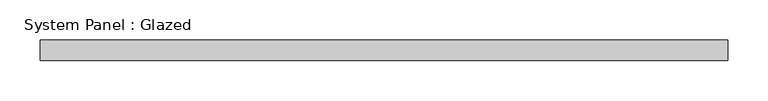
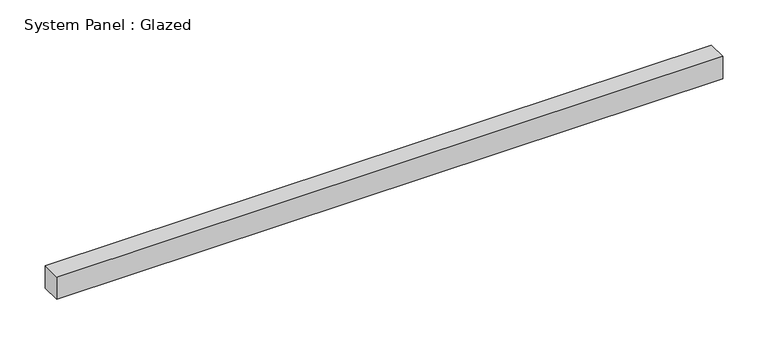
"""IFC4 building model written with IfcOpenShell, lengths in millimetres: plate geometry, System Panel : Glazed."""

from ifc_helpers import new_model, si_unit, origin, origin_with_axes, place, context, project, spatial, polyline, outline, extrude, source, transform, mapped, element, save


def system_panel_glazed_2331e16c(model_context):
    return source(origin(), model_context, "Body", "SweptSolid", [
        extrude(outline(polyline([(425.0, -49.5), (-425.0, -49.5), (-425.0, -24.5), (425.0, -24.5), (425.0, -49.5)])), origin_with_axes(), (0.0, 0.0, 1.0), 30.0),
    ])


if __name__ == "__main__":
    model = new_model("IFC4")
    model_context = context("Model", 3, world=origin())
    ifc_project = project(units=[si_unit("LENGTHUNIT", "METRE", prefix="MILLI")], contexts=[model_context])
    site = spatial("IfcSite", under=ifc_project)
    building = spatial("IfcBuilding", under=site)
    placement = place(None, origin())
    system_panel_glazed_shape = system_panel_glazed_2331e16c(model_context)
    element("IfcPlate", 1, ObjectType="System Panel : Glazed", at=placement, inside=building, context=model_context, shape_type="MappedRepresentation", body=[
        mapped(system_panel_glazed_shape, transform((0.0, 0.0, 0.0), x_axis=(1.0, 0.0, 0.0), y_axis=(0.0, 1.0, 0.0), z_axis=(0.0, 0.0, 1.0))),
    ])
    save(model, "model.ifc")
